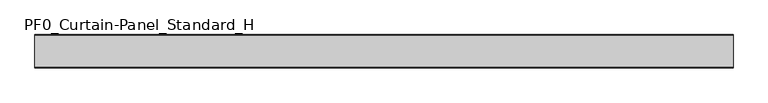
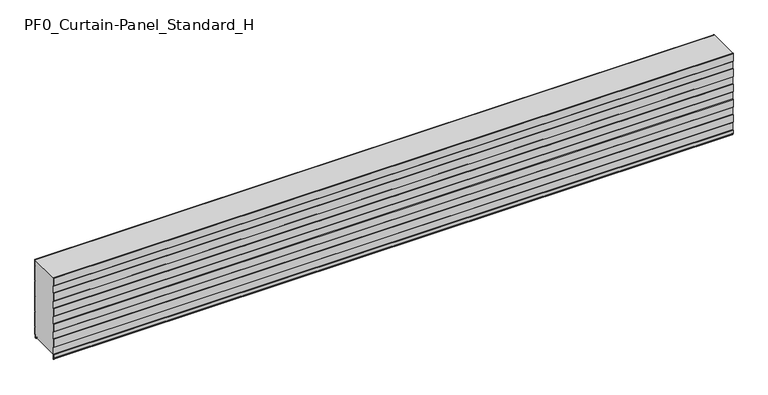
"""IFC4 building model written with IfcOpenShell, lengths in millimetres: plate geometry, PF0_Curtain-Panel_Standard_H."""

from ifc_helpers import new_model, si_unit, point, frame, frame_2d, origin, place, context, project, spatial, polyline, circle_curve, trimmed, segment, composite_curve, outline, extrude, source, transform, mapped, element, save


def pf0_curtain_panel_standard_h_7e8eca76(model_context):
    return source(origin(), model_context, "Body", "SweptSolid", [
        extrude(outline(composite_curve([segment(polyline([(-190.0, 0.0), (-193.5, 0.0)]), True, "CONTINUOUS"), segment(trimmed(circle_curve(frame_2d((-193.5, -2.0)), 2.0), [point((-193.5, 0.0))], [point((-195.5, -2.0))], True, "CARTESIAN"), True, "CONTINUOUS"), segment(polyline([(-195.5, -2.0), (-195.5, -33.0)]), True, "CONTINUOUS"), segment(trimmed(circle_curve(frame_2d((-196.5, -33.0)), 1.0), [point((-195.5, -33.0))], [point((-197.5, -33.0))], False, "CARTESIAN"), True, "CONTINUOUS"), segment(polyline([(-197.5, -33.0), (-197.5, -26.9)]), True, "CONTINUOUS"), segment(trimmed(circle_curve(frame_2d((-198.4, -26.9)), 0.9), [point((-197.5, -26.9))], [point((-198.4, -26.0))], True, "CARTESIAN"), True, "CONTINUOUS"), segment(trimmed(circle_curve(frame_2d((-198.4, -24.4)), 1.6), [point((-198.4, -26.0))], [point((-200.0, -24.4))], False, "CARTESIAN"), True, "CONTINUOUS"), segment(polyline([(-200.0, -24.4), (-200.0, -0.9952559), (-198.5, 1.6028217), (-198.5, 46.4028193), (-200.0, 49.0008969), (-200.0, 99.0047441), (-198.5, 101.6028217), (-198.5, 146.4028193), (-200.0, 149.0008969), (-200.0, 199.0047441), (-198.5, 201.6028217), (-198.5, 246.4028193), (-200.0, 249.0008969), (-200.0, 299.0047441), (-198.5, 301.6028217), (-198.5, 346.4028193), (-200.0, 349.0008969), (-200.0, 399.0047441), (-198.5, 401.6028217), (-198.5, 446.4028193), (-200.0, 449.0008969), (-200.0, 499.0047441), (-199.425389, 500.0), (-198.5016287, 500.0), (-199.2, 498.7903848), (-199.2, 449.2152562), (-197.7, 446.6171786), (-197.7, 401.3884624), (-199.2, 398.7903848), (-199.2, 349.2152562), (-197.7, 346.6171786), (-197.7, 301.3884624), (-199.2, 298.7903848), (-199.2, 249.2152562), (-197.7, 246.6171786), (-197.7, 201.3884624), (-199.2, 198.7903848), (-199.2, 149.2152562), (-197.7, 146.6171786), (-197.7, 101.3884624), (-199.2, 98.7903848), (-199.2, 49.2152562), (-197.7, 46.6171786), (-197.7, 1.3884624), (-199.2, -1.2096152), (-199.2, -24.4)]), True, "CONTINUOUS"), segment(trimmed(circle_curve(frame_2d((-198.4, -24.4)), 0.8), [point((-199.2, -24.4))], [point((-198.4, -25.2))], True, "CARTESIAN"), True, "CONTINUOUS"), segment(trimmed(circle_curve(frame_2d((-198.6133333, -26.9)), 1.7133333), [point((-198.4, -25.2))], [point((-196.9, -26.9))], False, "CARTESIAN"), True, "CONTINUOUS"), segment(polyline([(-196.9, -26.9), (-196.9, -32.8700312)]), True, "CONTINUOUS"), segment(trimmed(circle_curve(frame_2d((-196.6, -32.8700312)), 0.3), [point((-196.9, -32.8700312))], [point((-196.3, -32.8700312))], True, "CARTESIAN"), True, "CONTINUOUS"), segment(polyline([(-196.3, -32.8700312), (-196.3, -2.0)]), True, "CONTINUOUS"), segment(trimmed(circle_curve(frame_2d((-193.5, -2.0)), 2.8), [point((-196.3, -2.0))], [point((-193.5, 0.8))], False, "CARTESIAN"), True, "CONTINUOUS"), segment(polyline([(-193.5, 0.8), (-190.0, 0.8), (-190.0, 0.0)]), True, "CONTINUOUS")], self_intersect=False)), frame((-2100.0, 0.0, 0.0), z_axis=(1.0, 0.0, 0.0), x_axis=(0.0, 1.0, 0.0)), (0.0, 0.0, 1.0), 4200.0),
        extrude(outline(composite_curve([segment(polyline([(-15.878557, 0.0), (-20.0, 0.0), (-20.0, 0.8), (-15.878557, 0.8)]), True, "CONTINUOUS"), segment(trimmed(circle_curve(frame_2d((-15.878557, -2.0)), 2.8), [point((-15.878557, 0.8))], [point((-13.1503208, -1.370137))], False, "CARTESIAN"), True, "CONTINUOUS"), segment(polyline([(-13.1503208, -1.370137), (-11.728236, -7.529863)]), True, "CONTINUOUS"), segment(trimmed(circle_curve(frame_2d((-9.0, -6.9)), 2.8), [point((-11.728236, -7.529863))], [point((-6.2, -6.9))], True, "CARTESIAN"), True, "CONTINUOUS"), segment(polyline([(-6.2, -6.9), (-6.2, 8.6)]), True, "CONTINUOUS"), segment(trimmed(circle_curve(frame_2d((-3.4, 8.6)), 2.8), [point((-6.2, 8.6))], [point((-3.4, 11.4))], False, "CARTESIAN"), True, "CONTINUOUS"), segment(polyline([(-3.4, 11.4), (-2.0, 11.4)]), True, "CONTINUOUS"), segment(trimmed(circle_curve(frame_2d((-2.0, 12.6)), 1.2), [point((-2.0, 11.4))], [point((-0.8, 12.6))], True, "CARTESIAN"), True, "CONTINUOUS"), segment(polyline([(-0.8, 12.6), (-0.8, 57.6856412), (-2.482606, 60.6), (-0.8, 63.5143588), (-0.8, 157.6856412), (-2.482606, 160.6), (-0.8, 163.5143588), (-0.8, 257.6856412), (-2.482606, 260.6), (-0.8, 263.5143588), (-0.8, 357.6856412), (-2.482606, 360.6), (-0.8, 363.5143588), (-0.8, 457.6856412), (-2.482606, 460.6), (-0.8, 463.5143588), (-0.8, 500.0), (0.0, 500.0), (0.0, 463.2999995), (-1.5588455, 460.6), (0.0, 457.9000005), (0.0, 363.2999995), (-1.5588455, 360.6), (0.0, 357.9000005), (0.0, 263.2999995), (-1.5588455, 260.6), (0.0, 257.9000005), (0.0, 163.2999995), (-1.5588455, 160.6), (0.0, 157.9000005), (0.0, 63.2999995), (-1.5588455, 60.6), (0.0, 57.9000005), (0.0, 12.6)]), True, "CONTINUOUS"), segment(trimmed(circle_curve(frame_2d((-2.0, 12.6)), 2.0), [point((0.0, 12.6))], [point((-2.0, 10.6))], False, "CARTESIAN"), True, "CONTINUOUS"), segment(polyline([(-2.0, 10.6), (-3.4, 10.6)]), True, "CONTINUOUS"), segment(trimmed(circle_curve(frame_2d((-3.4, 8.6)), 2.0), [point((-3.4, 10.6))], [point((-5.4, 8.6))], True, "CARTESIAN"), True, "CONTINUOUS"), segment(polyline([(-5.4, 8.6), (-5.4, -6.9)]), True, "CONTINUOUS"), segment(trimmed(circle_curve(frame_2d((-9.0, -6.9)), 3.6), [point((-5.4, -6.9))], [point((-12.5077322, -7.7098239))], False, "CARTESIAN"), True, "CONTINUOUS"), segment(polyline([(-12.5077322, -7.7098239), (-13.929817, -1.5500979)]), True, "CONTINUOUS"), segment(trimmed(circle_curve(frame_2d((-15.878557, -2.0)), 2.0), [point((-13.929817, -1.5500979))], [point((-15.878557, 0.0))], True, "CARTESIAN"), True, "CONTINUOUS")], self_intersect=False)), frame((-2100.0, 0.0, 0.0), z_axis=(1.0, 0.0, 0.0), x_axis=(0.0, 1.0, 0.0)), (0.0, 0.0, 1.0), 4200.0),
        extrude(outline(composite_curve([segment(polyline([(-190.0, 0.8), (-193.5, 0.8)]), True, "CONTINUOUS"), segment(trimmed(circle_curve(frame_2d((-193.5, -2.0)), 2.8), [point((-193.5, 0.8))], [point((-196.3, -2.0))], True, "CARTESIAN"), True, "CONTINUOUS"), segment(polyline([(-196.3, -2.0), (-196.3, -32.8700312)]), True, "CONTINUOUS"), segment(trimmed(circle_curve(frame_2d((-196.6, -32.8700312)), 0.3), [point((-196.3, -32.8700312))], [point((-196.9, -32.8700312))], False, "CARTESIAN"), True, "CONTINUOUS"), segment(polyline([(-196.9, -32.8700312), (-196.9, -26.9)]), True, "CONTINUOUS"), segment(trimmed(circle_curve(frame_2d((-198.6133333, -26.9)), 1.7133333), [point((-196.9, -26.9))], [point((-198.4, -25.2))], True, "CARTESIAN"), True, "CONTINUOUS"), segment(trimmed(circle_curve(frame_2d((-198.4, -24.4)), 0.8), [point((-198.4, -25.2))], [point((-199.2, -24.4))], False, "CARTESIAN"), True, "CONTINUOUS"), segment(polyline([(-199.2, -24.4), (-199.2, -1.2096152), (-197.7, 1.3884624), (-197.7, 46.6171786), (-199.2, 49.2152562), (-199.2, 98.7903848), (-197.7, 101.3884624), (-197.7, 146.6171786), (-199.2, 149.2152562), (-199.2, 198.7903848), (-197.7, 201.3884624), (-197.7, 246.6171786), (-199.2, 249.2152562), (-199.2, 298.7903848), (-197.7, 301.3884624), (-197.7, 346.6171786), (-199.2, 349.2152562), (-199.2, 398.7903848), (-197.7, 401.3884624), (-197.7, 446.6171786), (-199.2, 449.2152562), (-199.2, 498.7903848), (-198.5016287, 500.0), (-0.8, 500.0), (-0.8, 463.5143588), (-2.482606, 460.6), (-0.8, 457.6856412), (-0.8, 363.5143588), (-2.482606, 360.6), (-0.8, 357.6856412), (-0.8, 263.5143588), (-2.482606, 260.6), (-0.8, 257.6856412), (-0.8, 163.5143588), (-2.482606, 160.6), (-0.8, 157.6856412), (-0.8, 63.5143588), (-2.482606, 60.6), (-0.8, 57.6856412), (-0.8, 12.6)]), True, "CONTINUOUS"), segment(trimmed(circle_curve(frame_2d((-2.0, 12.6)), 1.2), [point((-0.8, 12.6))], [point((-2.0, 11.4))], False, "CARTESIAN"), True, "CONTINUOUS"), segment(polyline([(-2.0, 11.4), (-3.4, 11.4)]), True, "CONTINUOUS"), segment(trimmed(circle_curve(frame_2d((-3.4, 8.6)), 2.8), [point((-3.4, 11.4))], [point((-6.2, 8.6))], True, "CARTESIAN"), True, "CONTINUOUS"), segment(polyline([(-6.2, 8.6), (-6.2, -6.9)]), True, "CONTINUOUS"), segment(trimmed(circle_curve(frame_2d((-9.0, -6.9)), 2.8), [point((-6.2, -6.9))], [point((-11.7282362, -7.529863))], False, "CARTESIAN"), True, "CONTINUOUS"), segment(polyline([(-11.7282362, -7.529863), (-13.1503208, -1.370137)]), True, "CONTINUOUS"), segment(trimmed(circle_curve(frame_2d((-15.878557, -2.0)), 2.8), [point((-13.1503208, -1.370137))], [point((-15.878557, 0.8))], True, "CARTESIAN"), True, "CONTINUOUS"), segment(polyline([(-15.878557, 0.8), (-20.0, 0.8), (-20.0, 0.0), (-190.0, 0.0), (-190.0, 0.8)]), True, "CONTINUOUS")], self_intersect=False)), frame((-2100.0, 0.0, 0.0), z_axis=(1.0, 0.0, 0.0), x_axis=(0.0, 1.0, 0.0)), (0.0, 0.0, 1.0), 4200.0),
    ])


if __name__ == "__main__":
    model = new_model("IFC4")
    model_context = context("Model", 3, world=origin())
    ifc_project = project(units=[si_unit("LENGTHUNIT", "METRE", prefix="MILLI")], contexts=[model_context])
    site = spatial("IfcSite", under=ifc_project)
    building = spatial("IfcBuilding", under=site)
    placement = place(None, origin())
    pf0_curtain_panel_standard_h_shape = pf0_curtain_panel_standard_h_7e8eca76(model_context)
    element("IfcPlate", 1, ObjectType="PF0_Curtain-Panel_Standard_H", at=placement, inside=building, context=model_context, shape_type="MappedRepresentation", body=[
        mapped(pf0_curtain_panel_standard_h_shape, transform((0.0, 0.0, 0.0), x_axis=(1.0, 0.0, 0.0), y_axis=(0.0, 1.0, 0.0), z_axis=(0.0, 0.0, 1.0))),
    ])
    save(model, "model.ifc")
